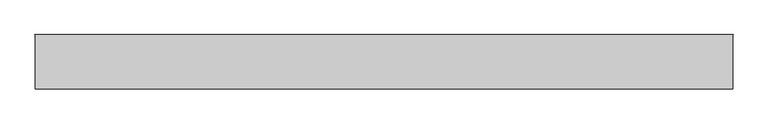
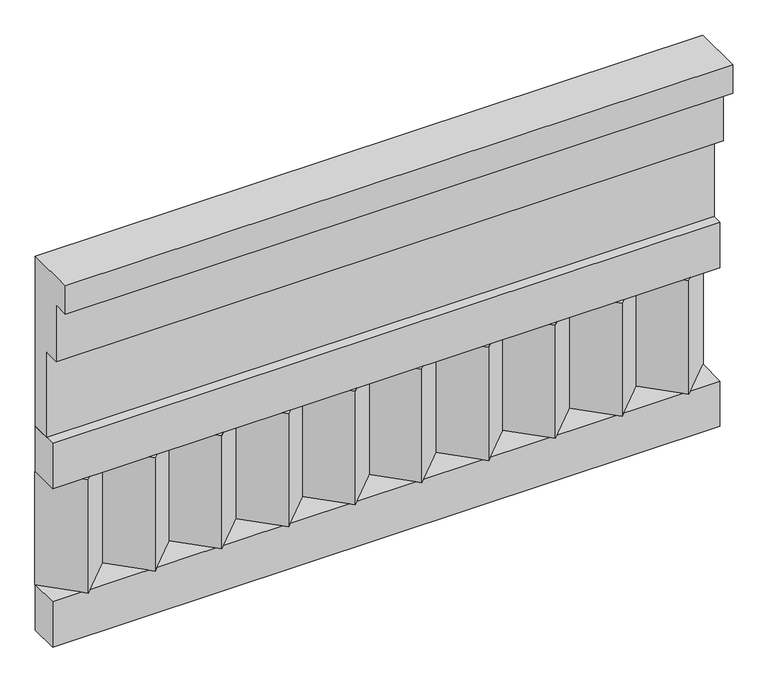
"""IFC4 building model written with IfcOpenShell, lengths in millimetres: railing geometry."""

from ifc_helpers import new_model, si_unit, frame, origin, place, context, project, spatial, polyline, outline, extrude, source, transform, mapped, element, save


def railing_3e020c14(model_context):
    return source(origin(), model_context, "Body", "SweptSolid", [
        extrude(outline(polyline([(-16816.8920513, 18500.0), (-16816.8920513, 18050.0), (-16866.8920513, 18050.0), (-16866.8920513, 18275.0), (-16906.8920513, 18275.0), (-16906.8920513, 18425.0), (-16946.8920513, 18425.0), (-16946.8920513, 18500.0), (-16816.8920513, 18500.0)])), frame((-36509.9887159, 0.0, 0.0), z_axis=(1.0, 0.0, 0.0), x_axis=(0.0, 1.0, 0.0)), (0.0, 0.0, 1.0), 1670.0),
        extrude(outline(polyline([(-36509.9887159, -16891.8920513), (-36509.9887159, -16816.8920513), (-34839.9887159, -16816.8920513), (-34839.9887159, -16891.8920513), (-36509.9887159, -16891.8920513)])), frame((0.0, 0.0, 17930.0), z_axis=(0.0, 0.0, 1.0), x_axis=(1.0, 0.0, 0.0)), (0.0, 0.0, 1.0), 120.0),
        extrude(outline(polyline([(-36509.9887159, -16891.8920513), (-36509.9887159, -16816.8920513), (-34839.9887159, -16816.8920513), (-34839.9887159, -16891.8920513), (-36509.9887159, -16891.8920513)])), frame((0.0, 0.0, 17510.0), z_axis=(0.0, 0.0, 1.0), x_axis=(1.0, 0.0, 0.0)), (0.0, 0.0, 1.0), 120.0),
        extrude(outline(polyline([(-34923.4887159, -16901.7448651), (-35008.3415296, -16816.8920513), (-34838.6359022, -16816.8920513), (-34923.4887159, -16901.7448651)])), frame((0.0, 0.0, 17630.0), z_axis=(0.0, 0.0, 1.0), x_axis=(1.0, 0.0, 0.0)), (0.0, 0.0, 1.0), 300.0),
        extrude(outline(polyline([(-35090.4887159, -16901.7448651), (-35175.3415296, -16816.8920513), (-35005.6359022, -16816.8920513), (-35090.4887159, -16901.7448651)])), frame((0.0, 0.0, 17630.0), z_axis=(0.0, 0.0, 1.0), x_axis=(1.0, 0.0, 0.0)), (0.0, 0.0, 1.0), 300.0),
        extrude(outline(polyline([(-35257.4887159, -16901.7448651), (-35342.3415296, -16816.8920513), (-35172.6359022, -16816.8920513), (-35257.4887159, -16901.7448651)])), frame((0.0, 0.0, 17630.0), z_axis=(0.0, 0.0, 1.0), x_axis=(1.0, 0.0, 0.0)), (0.0, 0.0, 1.0), 300.0),
        extrude(outline(polyline([(-35424.4887159, -16901.7448651), (-35509.3415296, -16816.8920513), (-35339.6359022, -16816.8920513), (-35424.4887159, -16901.7448651)])), frame((0.0, 0.0, 17630.0), z_axis=(0.0, 0.0, 1.0), x_axis=(1.0, 0.0, 0.0)), (0.0, 0.0, 1.0), 300.0),
        extrude(outline(polyline([(-35591.4887159, -16901.7448651), (-35676.3415296, -16816.8920513), (-35506.6359022, -16816.8920513), (-35591.4887159, -16901.7448651)])), frame((0.0, 0.0, 17630.0), z_axis=(0.0, 0.0, 1.0), x_axis=(1.0, 0.0, 0.0)), (0.0, 0.0, 1.0), 300.0),
        extrude(outline(polyline([(-35758.4887159, -16901.7448651), (-35843.3415296, -16816.8920513), (-35673.6359022, -16816.8920513), (-35758.4887159, -16901.7448651)])), frame((0.0, 0.0, 17630.0), z_axis=(0.0, 0.0, 1.0), x_axis=(1.0, 0.0, 0.0)), (0.0, 0.0, 1.0), 300.0),
        extrude(outline(polyline([(-35925.4887159, -16901.7448651), (-36010.3415296, -16816.8920513), (-35840.6359022, -16816.8920513), (-35925.4887159, -16901.7448651)])), frame((0.0, 0.0, 17630.0), z_axis=(0.0, 0.0, 1.0), x_axis=(1.0, 0.0, 0.0)), (0.0, 0.0, 1.0), 300.0),
        extrude(outline(polyline([(-36092.4887159, -16901.7448651), (-36177.3415296, -16816.8920513), (-36007.6359022, -16816.8920513), (-36092.4887159, -16901.7448651)])), frame((0.0, 0.0, 17630.0), z_axis=(0.0, 0.0, 1.0), x_axis=(1.0, 0.0, 0.0)), (0.0, 0.0, 1.0), 300.0),
        extrude(outline(polyline([(-36259.4887159, -16901.7448651), (-36344.3415296, -16816.8920513), (-36174.6359022, -16816.8920513), (-36259.4887159, -16901.7448651)])), frame((0.0, 0.0, 17630.0), z_axis=(0.0, 0.0, 1.0), x_axis=(1.0, 0.0, 0.0)), (0.0, 0.0, 1.0), 300.0),
        extrude(outline(polyline([(-36426.4887159, -16901.7448651), (-36511.3415296, -16816.8920513), (-36341.6359022, -16816.8920513), (-36426.4887159, -16901.7448651)])), frame((0.0, 0.0, 17630.0), z_axis=(0.0, 0.0, 1.0), x_axis=(1.0, 0.0, 0.0)), (0.0, 0.0, 1.0), 300.0),
    ])


if __name__ == "__main__":
    model = new_model("IFC4")
    model_context = context("Model", 3, world=origin())
    ifc_project = project(units=[si_unit("LENGTHUNIT", "METRE", prefix="MILLI")], contexts=[model_context])
    site = spatial("IfcSite", under=ifc_project)
    building = spatial("IfcBuilding", under=site)
    placement = place(None, origin())
    railing_shape = railing_3e020c14(model_context)
    element("IfcRailing", 1, at=placement, inside=building, context=model_context, shape_type="MappedRepresentation", body=[
        mapped(railing_shape, transform((0.0, 0.0, 0.0), x_axis=(1.0, 0.0, 0.0), y_axis=(0.0, 1.0, 0.0), z_axis=(0.0, 0.0, 1.0))),
    ])
    save(model, "model.ifc")
